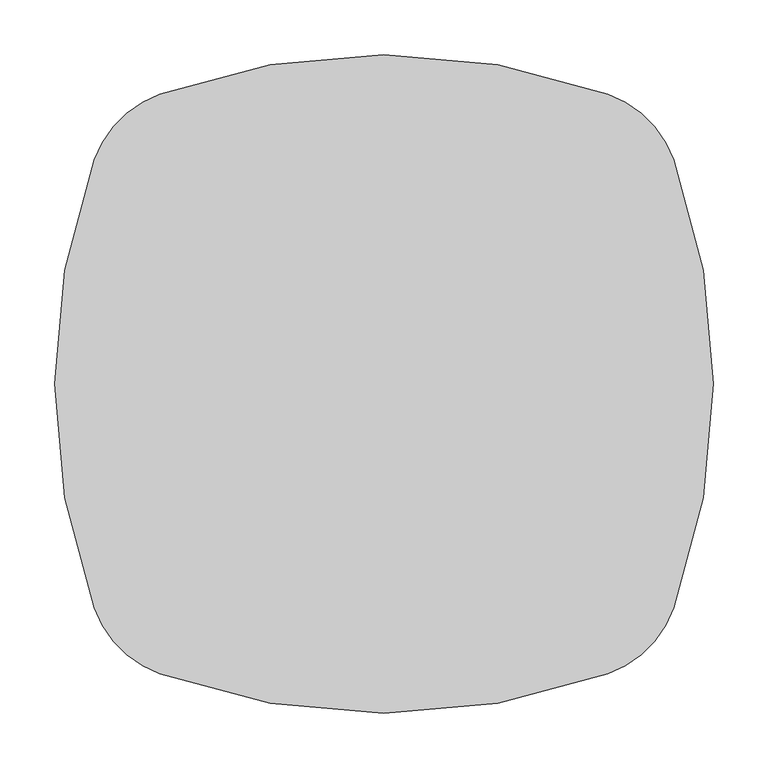
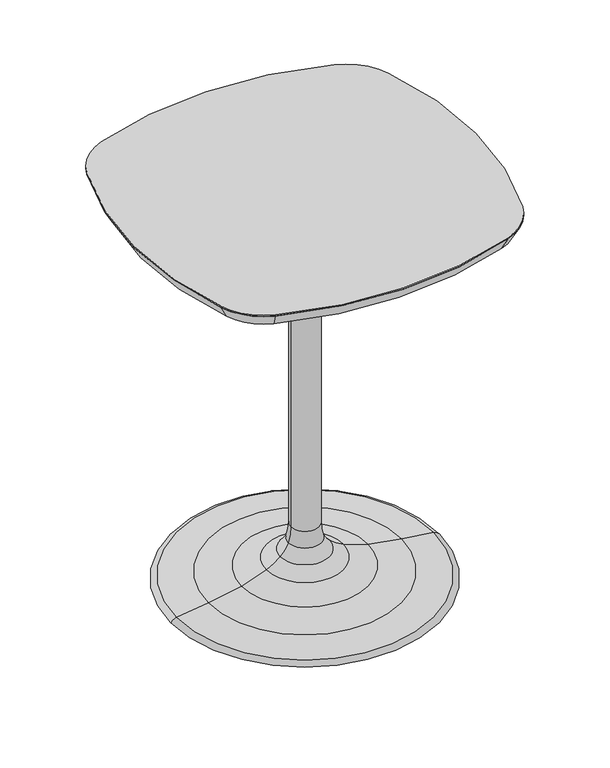
"""IFC4 building model written with IfcOpenShell, lengths in millimetres: furniture geometry."""

from ifc_helpers import new_model, si_unit, point, frame, frame_2d, origin, place, context, project, spatial, polyline, circle_curve, ellipse_curve, trimmed, segment, composite_curve, outline, extrude, source, transform, mapped, element, save
from ifc_brep_helpers import plane_surface, cylinder_surface, revolved_surface, advanced_brep


def furniture_01bcd0f2(model_context):
    return source(origin(), model_context, "Body", "SolidModel", [
        advanced_brep(
        [(-24.92375, 0.0, 103.9034704), (24.92375, 0.0, 103.9034704), (28.9852947, 0.0, 76.2614348), (-28.9852947, 0.0, 76.2614348), (-235.1702385, 0.0, 0.0), (235.1702385, 0.0, 0.0), (0.0, 0.0, 0.0), (-225.5797628, 0.0, 6.3317609), (225.5797628, 0.0, 6.3317609), (-169.5916105, 0.0, 13.7450132), (169.5916105, 0.0, 13.7450132), (-111.1444513, 0.0, 24.5145298), (111.1444513, 0.0, 24.5145298), (-67.9920708, 0.0, 39.4343904), (67.9920708, 0.0, 39.4343904), (-43.5947227, 0.0, 55.2178338), (43.5947227, 0.0, 55.2178338), (-24.92375, 0.0, 694.6138), (24.92375, 0.0, 694.6138), (0.0, 0.0, 694.6138)],
        [
            (0, 1, circle_curve(frame((0.0, 0.0, 103.9034704), z_axis=(0.0, 0.0, -1.0), x_axis=(1.0, 0.0, 0.0)), 24.92375)),
            (1, 2, circle_curve(frame((114.4590349, 0.0, 102.9398086), z_axis=(0.0, -1.0, 0.0), x_axis=(1.0, 0.0, 0.0)), 89.5404706)),
            (2, 3, circle_curve(frame((0.0, 0.0, 76.2614348), z_axis=(0.0, 0.0, 1.0), x_axis=(1.0, 0.0, 0.0)), 28.9852947)),
            (3, 0, circle_curve(frame((-114.4590349, 0.0, 102.9398086), z_axis=(0.0, -1.0, 0.0), x_axis=(-1.0, 0.0, 0.0)), 89.5404706)),
            (1, 0, circle_curve(frame((0.0, 0.0, 103.9034704), z_axis=(0.0, 0.0, -1.0), x_axis=(1.0, 0.0, 0.0)), 24.92375)),
            (3, 2, circle_curve(frame((0.0, 0.0, 76.2614348), z_axis=(0.0, 0.0, 1.0), x_axis=(1.0, 0.0, 0.0)), 28.9852947)),
            (4, 5, circle_curve(frame((0.0, 0.0, 0.0), z_axis=(0.0, 0.0, -1.0), x_axis=(1.0, 0.0, 0.0)), 235.1702385)),
            (5, 6),
            (6, 4),
            (5, 4, circle_curve(frame((0.0, 0.0, 0.0), z_axis=(0.0, 0.0, -1.0), x_axis=(1.0, 0.0, 0.0)), 235.1702385)),
            (7, 8, circle_curve(frame((0.0, 0.0, 6.3317609), z_axis=(0.0, 0.0, -1.0), x_axis=(1.0, 0.0, 0.0)), 225.5797628)),
            (8, 5, circle_curve(frame((223.5189163, 0.0, -7.2187678), z_axis=(0.0, 1.0, 0.0), x_axis=(1.0, 0.0, 0.0)), 13.7063459)),
            (4, 7, circle_curve(frame((-223.5189163, 0.0, -7.2187678), z_axis=(0.0, 1.0, 0.0), x_axis=(-1.0, 0.0, 0.0)), 13.7063459)),
            (8, 7, circle_curve(frame((0.0, 0.0, 6.3317609), z_axis=(0.0, 0.0, -1.0), x_axis=(1.0, 0.0, 0.0)), 225.5797628)),
            (9, 10, circle_curve(frame((0.0, 0.0, 13.7450132), z_axis=(0.0, 0.0, -1.0), x_axis=(1.0, 0.0, 0.0)), 169.5916105)),
            (10, 8, circle_curve(frame((5.4338515, 0.0, -1441.1770536), z_axis=(0.0, 1.0, 0.0), x_axis=(1.0, 0.0, 0.0)), 1464.1536771)),
            (7, 9, circle_curve(frame((-5.4338515, 0.0, -1441.1770536), z_axis=(0.0, 1.0, 0.0), x_axis=(-1.0, 0.0, 0.0)), 1464.1536771)),
            (10, 9, circle_curve(frame((0.0, 0.0, 13.7450132), z_axis=(0.0, 0.0, -1.0), x_axis=(1.0, 0.0, 0.0)), 169.5916105)),
            (11, 12, circle_curve(frame((0.0, 0.0, 24.5145298), z_axis=(0.0, 0.0, -1.0), x_axis=(1.0, 0.0, 0.0)), 111.1444513)),
            (12, 10, circle_curve(frame((217.3187895, 0.0, 436.7486305), z_axis=(0.0, -1.0, 0.0), x_axis=(1.0, 0.0, 0.0)), 425.687613)),
            (9, 11, circle_curve(frame((-217.3187895, 0.0, 436.7486305), z_axis=(0.0, -1.0, 0.0), x_axis=(-1.0, 0.0, 0.0)), 425.687613)),
            (12, 11, circle_curve(frame((0.0, 0.0, 24.5145298), z_axis=(0.0, 0.0, -1.0), x_axis=(1.0, 0.0, 0.0)), 111.1444513)),
            (13, 14, circle_curve(frame((0.0, 0.0, 39.4343904), z_axis=(0.0, 0.0, -1.0), x_axis=(1.0, 0.0, 0.0)), 67.9920708)),
            (14, 12, circle_curve(frame((181.690368, 0.0, 298.4171793), z_axis=(0.0, -1.0, 0.0), x_axis=(1.0, 0.0, 0.0)), 282.8416301)),
            (11, 13, circle_curve(frame((-181.690368, 0.0, 298.4171793), z_axis=(0.0, -1.0, 0.0), x_axis=(-1.0, 0.0, 0.0)), 282.8416301)),
            (14, 13, circle_curve(frame((0.0, 0.0, 39.4343904), z_axis=(0.0, 0.0, -1.0), x_axis=(1.0, 0.0, 0.0)), 67.9920708)),
            (15, 16, circle_curve(frame((0.0, 0.0, 55.2178338), z_axis=(0.0, 0.0, -1.0), x_axis=(1.0, 0.0, 0.0)), 43.5947227)),
            (16, 14, circle_curve(frame((104.5303424, 0.0, 122.6615249), z_axis=(0.0, -1.0, 0.0), x_axis=(1.0, 0.0, 0.0)), 90.894451)),
            (13, 15, circle_curve(frame((-104.5303424, 0.0, 122.6615249), z_axis=(0.0, -1.0, 0.0), x_axis=(-1.0, 0.0, 0.0)), 90.894451)),
            (16, 15, circle_curve(frame((0.0, 0.0, 55.2178338), z_axis=(0.0, 0.0, -1.0), x_axis=(1.0, 0.0, 0.0)), 43.5947227)),
            (2, 16, circle_curve(frame((81.3908921, 0.0, 97.0507254), z_axis=(0.0, -1.0, 0.0), x_axis=(1.0, 0.0, 0.0)), 56.3785529)),
            (15, 3, circle_curve(frame((-81.3908921, 0.0, 97.0507254), z_axis=(0.0, -1.0, 0.0), x_axis=(-1.0, 0.0, 0.0)), 56.3785529)),
            (17, 18, circle_curve(frame((0.0, 0.0, 694.6138), z_axis=(0.0, 0.0, -1.0), x_axis=(1.0, 0.0, 0.0)), 24.92375)),
            (18, 1),
            (0, 17),
            (18, 17, circle_curve(frame((0.0, 0.0, 694.6138), z_axis=(0.0, 0.0, -1.0), x_axis=(1.0, 0.0, 0.0)), 24.92375)),
            (19, 18),
            (17, 19),
        ],
        [
            revolved_surface(trimmed(ellipse_curve(frame((114.4590349, 0.0, 102.9398086), z_axis=(0.0, 1.0, 0.0), x_axis=(1.0, 0.0, 0.0)), 89.5404706, 89.5404706), [point((28.9852947, 0.0, 76.2614348))], [point((24.92375, 0.0, 103.9034704))], True, "CARTESIAN"), (0.0, 0.0, 2146.909579), (0.0, 0.0, 1.0)),
            plane_surface(frame((0.0, 0.0, 0.0), z_axis=(0.0, 0.0, -1.0), x_axis=(1.0, 0.0, 0.0))),
            revolved_surface(trimmed(ellipse_curve(frame((223.5189163, 0.0, -7.2187678), z_axis=(0.0, -1.0, 0.0), x_axis=(1.0, 0.0, 0.0)), 13.7063459, 13.7063459), [point((235.1702385, 0.0, 0.0))], [point((225.5797628, 0.0, 6.3317609))], True, "CARTESIAN"), (0.0, 0.0, 2146.909579), (0.0, 0.0, 1.0)),
            revolved_surface(trimmed(ellipse_curve(frame((5.4338515, 0.0, -1441.1770536), z_axis=(0.0, -1.0, 0.0), x_axis=(1.0, 0.0, 0.0)), 1464.1536771, 1464.1536771), [point((225.5797628, 0.0, 6.3317609))], [point((169.5916105, 0.0, 13.7450132))], True, "CARTESIAN"), (0.0, 0.0, 2146.909579), (0.0, 0.0, 1.0)),
            revolved_surface(trimmed(ellipse_curve(frame((217.3187895, 0.0, 436.7486305), z_axis=(0.0, 1.0, 0.0), x_axis=(1.0, 0.0, 0.0)), 425.687613, 425.687613), [point((169.5916105, 0.0, 13.7450132))], [point((111.1444513, 0.0, 24.5145298))], True, "CARTESIAN"), (0.0, 0.0, 2146.909579), (0.0, 0.0, 1.0)),
            revolved_surface(trimmed(ellipse_curve(frame((181.690368, 0.0, 298.4171793), z_axis=(0.0, 1.0, 0.0), x_axis=(1.0, 0.0, 0.0)), 282.8416301, 282.8416301), [point((111.1444513, 0.0, 24.5145298))], [point((67.9920708, 0.0, 39.4343904))], True, "CARTESIAN"), (0.0, 0.0, 2146.909579), (0.0, 0.0, 1.0)),
            revolved_surface(trimmed(ellipse_curve(frame((104.5303424, 0.0, 122.6615249), z_axis=(0.0, 1.0, 0.0), x_axis=(1.0, 0.0, 0.0)), 90.894451, 90.894451), [point((67.9920708, 0.0, 39.4343904))], [point((43.5947227, 0.0, 55.2178338))], True, "CARTESIAN"), (0.0, 0.0, 2146.909579), (0.0, 0.0, 1.0)),
            revolved_surface(trimmed(ellipse_curve(frame((81.3908921, 0.0, 97.0507254), z_axis=(0.0, 1.0, 0.0), x_axis=(1.0, 0.0, 0.0)), 56.3785529, 56.3785529), [point((43.5947227, 0.0, 55.2178338))], [point((28.9852947, 0.0, 76.2614348))], True, "CARTESIAN"), (0.0, 0.0, 2146.909579), (0.0, 0.0, 1.0)),
            cylinder_surface(frame((0.0, 0.0, 2146.909579), z_axis=(0.0, 0.0, 1.0), x_axis=(1.0, 0.0, 0.0)), 24.92375),
            plane_surface(frame((0.0, 0.0, 694.6138), z_axis=(0.0, 0.0, 1.0), x_axis=(1.0, 0.0, 0.0))),
        ],
        [
            (0, [[1, 2, 3, 4]]),
            (0, [[5, -4, 6, -2]]),
            (1, [[7, 8, 9]]),
            (1, [[10, -9, -8]]),
            (2, [[11, 12, -7, 13]]),
            (2, [[14, -13, -10, -12]]),
            (3, [[15, 16, -11, 17]]),
            (3, [[18, -17, -14, -16]]),
            (4, [[19, 20, -15, 21]]),
            (4, [[22, -21, -18, -20]]),
            (5, [[23, 24, -19, 25]]),
            (5, [[26, -25, -22, -24]]),
            (6, [[27, 28, -23, 29]]),
            (6, [[30, -29, -26, -28]]),
            (7, [[-3, 31, -27, 32]]),
            (7, [[-6, -32, -30, -31]]),
            (8, [[33, 34, -1, 35]]),
            (8, [[36, -35, -5, -34]]),
            (9, [[37, -33, 38]]),
            (9, [[-38, -36, -37]]),
        ],
    ),
        advanced_brep(
        [(-264.1875437, -204.1874282, 717.4738), (-204.187464, -264.187508, 717.4738), (204.1873913, -264.187508, 717.4738), (264.1873627, -204.1875366, 717.4738), (264.1873627, 204.1873913, 717.4738), (204.1873913, 264.1873627, 717.4738), (-204.187464, 264.1873627, 717.4738), (-264.1875437, 204.1872829, 717.4738), (-252.2455553, -199.8655176, 694.6138), (-252.2455553, 199.8653723, 694.6138), (-199.8655533, 252.2453742, 694.6138), (199.8654807, 252.2453742, 694.6138), (252.2453742, 199.8654807, 694.6138), (252.2453742, -199.865626, 694.6138), (199.8654807, -252.2455195, 694.6138), (-199.8655533, -252.2455195, 694.6138)],
        [
            (0, 1, circle_curve(frame((-170.1569742, -170.1569384, 717.4738), z_axis=(0.0, 0.0, 1.0), x_axis=(-0.9403140528037179, -0.3403079224758758, 0.0)), 99.9991112)),
            (1, 2, circle_curve(frame((-3.63e-05, 300.0083126, 717.4738), z_axis=(0.0, 0.0, 1.0), x_axis=(-0.3403079224829072, -0.9403140528011732, 0.0)), 600.007858)),
            (2, 3, circle_curve(frame((170.156963, -170.1571083, 717.4738), z_axis=(-2.438049762076838e-12, 2.458773925203174e-12, 1.0), x_axis=(0.34030792248213193, -0.9403140528014539, 3.1417722873690966e-12)), 99.9989306)),
            (3, 4, circle_curve(frame((-300.0085584, -7.27e-05, 717.4738), z_axis=(0.0, 0.0, 1.0), x_axis=(0.9403140528023562, -0.3403079224796386, 0.0)), 600.0079647)),
            (4, 5, circle_curve(frame((170.156963, 170.156963, 717.4738), z_axis=(2.268259654177498e-11, 2.2561212157749294e-11, 1.0), x_axis=(0.9403140527998477, 0.34030792248656994, -2.900658467302052e-11)), 99.9989306)),
            (5, 6, circle_curve(frame((-3.63e-05, -300.008458, 717.4738), z_axis=(0.0, 0.0, 1.0), x_axis=(0.3403079225097323, 0.9403140527914651, 0.0)), 600.007858)),
            (6, 7, circle_curve(frame((-170.1569742, 170.1567931, 717.4738), z_axis=(-1.965242783323139e-11, 1.992628284597226e-11, 1.0), x_axis=(-0.3403079224706029, 0.9403140528056263, -2.542474022831091e-11)), 99.9991112)),
            (7, 0, circle_curve(frame((300.0080778, -7.27e-05, 717.4738), z_axis=(0.0, 0.0, 1.0), x_axis=(-0.9403140527949745, 0.3403079225000352, 0.0)), 600.0076463)),
            (8, 9, circle_curve(frame((300.0080778, -7.27e-05, 694.6138), z_axis=(0.0, 0.0, -1.0), x_axis=(-0.9403140527949745, 0.3403079225000352, 0.0)), 587.3076463)),
            (9, 10, circle_curve(frame((-170.1569742, 170.1567931, 694.6138), z_axis=(1.965242783323139e-11, -1.992628284597226e-11, -1.0), x_axis=(-0.3403079224706029, 0.9403140528056263, -2.542474022831091e-11)), 87.2991112)),
            (10, 11, circle_curve(frame((-3.63e-05, -300.008458, 694.6138), z_axis=(0.0, 0.0, -1.0), x_axis=(0.3403079225097323, 0.9403140527914651, 0.0)), 587.307858)),
            (11, 12, circle_curve(frame((170.156963, 170.156963, 694.6138), z_axis=(-2.268259654177498e-11, -2.2561212157749294e-11, -1.0), x_axis=(0.9403140527998477, 0.34030792248656994, -2.900658467302052e-11)), 87.2989306)),
            (12, 13, circle_curve(frame((-300.0085584, -7.27e-05, 694.6138), z_axis=(0.0, 0.0, -1.0), x_axis=(0.9403140528023562, -0.3403079224796386, 0.0)), 587.3079647)),
            (13, 14, circle_curve(frame((170.156963, -170.1571083, 694.6138), z_axis=(2.438049762076838e-12, -2.458773925203174e-12, -1.0), x_axis=(0.34030792248213193, -0.9403140528014539, 3.1417722873690966e-12)), 87.2989306)),
            (14, 15, circle_curve(frame((-3.63e-05, 300.0083126, 694.6138), z_axis=(0.0, 0.0, -1.0), x_axis=(-0.3403079224829072, -0.9403140528011732, 0.0)), 587.307858)),
            (15, 8, circle_curve(frame((-170.1569742, -170.1569384, 694.6138), z_axis=(0.0, 0.0, -1.0), x_axis=(-0.9403140528037179, -0.3403079224758758, 0.0)), 87.2991112)),
            (15, 1),
            (0, 8),
            (14, 2),
            (13, 3),
            (12, 4),
            (11, 5),
            (10, 6),
            (9, 7),
        ],
        [
            plane_surface(frame((-6.34e-05, -7.27e-05, 717.4738), z_axis=(0.0, 0.0, 1.0000000000000002), x_axis=(-0.34030792247608904, -0.9403140528036409, 0.0))),
            plane_surface(frame((-6.34e-05, -7.27e-05, 694.6138), z_axis=(0.0, 0.0, -1.0000000000000002), x_axis=(-0.34030792247608904, -0.9403140528036409, 0.0))),
            revolved_surface(polyline([(-199.86555338321887, -252.24551952306018, 694.6138), (-204.187464, -264.187508, 717.4738)]), (-170.1569742, -170.1569384, 537.4753998), (0.0, 0.0, 1.0)),
            revolved_surface(polyline([(199.8654806846892, -252.24551952976987, 694.6138000000001), (204.1873913, -264.1875079999999, 717.4738)]), (-3.63e-05, 300.0083126, -362.5403443), (0.0, 0.0, 1.0)),
            revolved_surface(polyline([(252.24537423180163, -199.8656259878679, 694.613799999999), (264.1873627001635, -204.18753660005916, 717.4738000003128)]), (170.156963, -170.1571083, 537.4757249), (-2.438049762076838e-12, 2.458773925203174e-12, 1.0)),
            revolved_surface(polyline([(252.2453742277517, 199.86548068336256, 694.6138000000001), (264.18736270000005, 204.1873913, 717.4738)]), (-300.0085584, -7.27e-05, -362.5405365), (0.0, 0.0, 1.0)),
            revolved_surface(polyline([(199.86548068739057, 252.2453742304827, 694.6137999974741), (204.1873913000014, 264.1873627000038, 717.4738000000073)]), (170.156963, 170.156963, 537.4757249), (2.268259654177498e-11, 2.2561212157749294e-11, 1.0)),
            revolved_surface(polyline([(-199.86555338257256, 252.24537422765331, 694.6138000000001), (-204.187464, 264.1873627, 717.4738)]), (-3.63e-05, -300.008458, -362.5403443), (0.0, 0.0, 1.0)),
            revolved_surface(polyline([(-252.24555522854268, 199.86537228520302, 694.6137999977948), (-264.1875437000086, 204.1872829000031, 717.4738000000164)]), (-170.1569741, 170.1567931, 537.4753997), (-1.965242783323139e-11, 1.992628284597226e-11, 1.0)),
            revolved_surface(polyline([(-252.2455552311851, -199.86551758613183, 694.6138000000001), (-264.1875437, -204.1874282, 717.4738)]), (300.0080778, -7.27e-05, -362.5399633), (0.0, 0.0, 1.0)),
        ],
        [
            (0, [[1, 2, 3, 4, 5, 6, 7, 8]]),
            (1, [[9, 10, 11, 12, 13, 14, 15, 16]]),
            (2, [[-16, 17, -1, 18]]),
            (3, [[-15, 19, -2, -17]]),
            (4, [[-14, 20, -3, -19]]),
            (5, [[-13, 21, -4, -20]]),
            (6, [[-12, 22, -5, -21]]),
            (7, [[-11, 23, -6, -22]]),
            (8, [[-10, 24, -7, -23]]),
            (9, [[-9, -18, -8, -24]]),
        ],
    ),
        extrude(outline(composite_curve([segment(trimmed(circle_curve(frame_2d((170.156963, 170.156963)), 99.9989306), [point((204.1873913, 264.1873627))], [point((264.1873627, 204.1873913))], False, "CARTESIAN"), True, "CONTINUOUS"), segment(trimmed(circle_curve(frame_2d((-300.0085584, -7.27e-05)), 600.0079647), [point((264.1873627, 204.1873913))], [point((264.1873627, -204.1875366))], False, "CARTESIAN"), True, "CONTINUOUS"), segment(trimmed(circle_curve(frame_2d((170.156963, -170.1571083)), 99.9989306), [point((264.1873627, -204.1875366))], [point((204.1873913, -264.187508))], False, "CARTESIAN"), True, "CONTINUOUS"), segment(trimmed(circle_curve(frame_2d((-3.63e-05, 300.0083126)), 600.007858), [point((204.1873913, -264.187508))], [point((-204.187464, -264.187508))], False, "CARTESIAN"), True, "CONTINUOUS"), segment(trimmed(circle_curve(frame_2d((-170.1569742, -170.1569384)), 99.9991112), [point((-204.187464, -264.187508))], [point((-264.1875437, -204.1874282))], False, "CARTESIAN"), True, "CONTINUOUS"), segment(trimmed(circle_curve(frame_2d((300.0080778, -7.27e-05)), 600.0076463), [point((-264.1875437, -204.1874282))], [point((-264.1875437, 204.1872829))], False, "CARTESIAN"), True, "CONTINUOUS"), segment(trimmed(circle_curve(frame_2d((-170.1569742, 170.1567931)), 99.9991112), [point((-264.1875437, 204.1872829))], [point((-204.187464, 264.1873627))], False, "CARTESIAN"), True, "CONTINUOUS"), segment(trimmed(circle_curve(frame_2d((-3.63e-05, -300.008458)), 600.007858), [point((-204.187464, 264.1873627))], [point((204.1873913, 264.1873627))], False, "CARTESIAN"), True, "CONTINUOUS")], self_intersect=False)), frame((0.0, 0.0, 717.4738), z_axis=(0.0, 0.0, 1.0), x_axis=(1.0, 0.0, 0.0)), (0.0, 0.0, 1.0), 2.54),
    ])


if __name__ == "__main__":
    model = new_model("IFC4")
    model_context = context("Model", 3, world=origin())
    ifc_project = project(units=[si_unit("LENGTHUNIT", "METRE", prefix="MILLI")], contexts=[model_context])
    site = spatial("IfcSite", under=ifc_project)
    building = spatial("IfcBuilding", under=site)
    placement = place(None, origin())
    furniture_shape = furniture_01bcd0f2(model_context)
    element("IfcFurniture", 1, at=placement, inside=building, context=model_context, shape_type="MappedRepresentation", body=[
        mapped(furniture_shape, transform((0.0, 0.0, 0.0), x_axis=(1.0, 0.0, 0.0), y_axis=(0.0, 1.0, 0.0), z_axis=(0.0, 0.0, 1.0))),
    ])
    save(model, "model.ifc")
